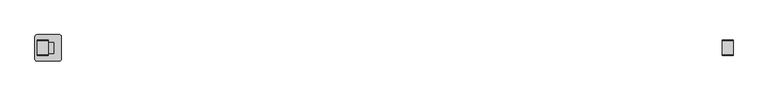
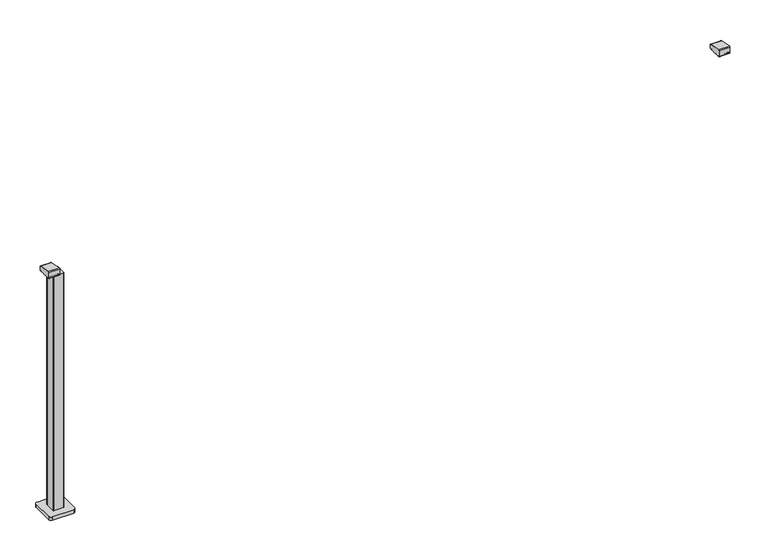
"""IFC4 building model written with IfcOpenShell, lengths in millimetres: railing geometry."""

from ifc_helpers import new_model, si_unit, point, frame, frame_2d, origin, origin_with_axes, place, context, project, spatial, polyline, circle_curve, trimmed, segment, composite_curve, outline, extrude, source, transform, mapped, element, save
from ifc_brep_helpers import plane_surface, cylinder_surface, advanced_brep


def railing_7358e0a5(model_context):
    return source(origin(), model_context, "Body", "SolidModel", [
        advanced_brep(
        [(6791.3946925, 10264.3630551, 1199.9544233), (6791.3946925, 10260.8421106, 1197.0), (6791.3946925, 10260.8421106, 1169.2), (6791.3946925, 10263.8421106, 1166.2), (6791.3946925, 10268.6920245, 1166.2), (6791.3946925, 10269.5830297, 1166.9730759), (6791.3946925, 10270.1561053, 1166.4000003), (6791.3946925, 10288.2660875, 1166.4000003), (6791.3946925, 10288.8619702, 1165.6106384), (6791.3946925, 10302.8416451, 1165.6114192), (6791.3946925, 10303.4355206, 1166.4000003), (6791.3946925, 10321.5960229, 1166.4000003), (6791.3946925, 10322.0960229, 1166.9000033), (6791.3946925, 10323.0249587, 1166.2), (6791.3946925, 10327.8421106, 1166.2), (6791.3946925, 10330.8421106, 1169.2), (6791.3946925, 10330.8421106, 1185.7150732), (6791.3946925, 10328.3630551, 1188.6694965), (6741.3946925, 10264.3630551, 1199.9544233), (6741.3946925, 10328.3630551, 1188.6694965), (6741.3946925, 10330.8421106, 1185.7150732), (6741.3946925, 10330.8421106, 1169.2), (6741.3946925, 10327.8421106, 1166.2), (6741.3946925, 10323.0249587, 1166.2), (6741.3946925, 10322.0960229, 1166.9000033), (6741.3946925, 10321.5960229, 1166.4000003), (6741.3946925, 10303.4355206, 1166.4000003), (6741.3946925, 10302.8416397, 1165.6114328), (6741.3946925, 10288.8585412, 1165.6114192), (6741.3946925, 10288.2660875, 1166.4000003), (6741.3946925, 10270.1561053, 1166.4000003), (6741.3946925, 10269.5830297, 1166.9730759), (6741.3946925, 10268.6920245, 1166.2), (6741.3946925, 10263.8421106, 1166.2), (6741.3946925, 10260.8421106, 1169.2), (6741.3946925, 10260.8421106, 1197.0)],
        [
            (0, 1, circle_curve(frame((6791.3946925, 10263.8421106, 1197.0), z_axis=(1.0, 0.0, 0.0), x_axis=(0.0, 0.1736481776670499, 0.984807753012187)), 3.0)),
            (1, 2),
            (2, 3, circle_curve(frame((6791.3946925, 10263.8421106, 1169.2), z_axis=(1.0, 0.0, 0.0), x_axis=(0.0, -1.0, 0.0)), 3.0)),
            (3, 4),
            (4, 5, circle_curve(frame((6791.3946925, 10268.6920245, 1167.1), z_axis=(1.0, 0.0, 0.0), x_axis=(0.0, 0.0, -1.0)), 0.9)),
            (5, 6, circle_curve(frame((6791.3946925, 10270.1561053, 1166.9730759), z_axis=(1.0, 0.0, 0.0), x_axis=(0.0, -1.0, 0.0)), 0.5730756)),
            (6, 7),
            (7, 8, circle_curve(frame((6791.3946925, 10289.2114065, 1166.4940192), z_axis=(1.0, 0.0, 0.0), x_axis=(0.0, -1.0, 0.0)), 0.9499829)),
            (8, 9, circle_curve(frame((6791.3946925, 10295.8500931, 1183.2818957), z_axis=(1.0, 0.0, 0.0), x_axis=(0.0, -1.0, 0.0)), 19.003356)),
            (9, 10, circle_curve(frame((6791.3946925, 10302.4902016, 1166.4940192), z_axis=(1.0, 0.0, 0.0), x_axis=(0.0, 1.0, 0.0)), 0.9499829)),
            (10, 11),
            (11, 12, circle_curve(frame((6791.3946925, 10321.5960229, 1166.9000003), z_axis=(1.0, 0.0, 0.0), x_axis=(0.0, 0.0, -1.0)), 0.5)),
            (12, 13, circle_curve(frame((6791.3946925, 10323.0072204, 1167.1428319), z_axis=(1.0, 0.0, 0.0), x_axis=(0.0, -1.0, 0.0)), 0.9429987)),
            (13, 14),
            (14, 15, circle_curve(frame((6791.3946925, 10327.8421106, 1169.2), z_axis=(1.0, 0.0, 0.0), x_axis=(0.0, 0.0, -1.0)), 3.0)),
            (15, 16),
            (16, 17, circle_curve(frame((6791.3946925, 10327.8421106, 1185.7150732), z_axis=(1.0, 0.0, 0.0), x_axis=(0.0, 1.0, 0.0)), 3.0)),
            (17, 0),
            (18, 19),
            (19, 20, circle_curve(frame((6741.3946925, 10327.8421106, 1185.7150732), z_axis=(-1.0, 0.0, 0.0), x_axis=(0.0, 1.0, 0.0)), 3.0)),
            (20, 21),
            (21, 22, circle_curve(frame((6741.3946925, 10327.8421106, 1169.2), z_axis=(-1.0, 0.0, 0.0), x_axis=(0.0, 0.0, -1.0)), 3.0)),
            (22, 23),
            (23, 24, circle_curve(frame((6741.3946925, 10323.0072204, 1167.1428319), z_axis=(-1.0, 0.0, 0.0), x_axis=(0.0, -1.0, 0.0)), 0.9429987)),
            (24, 25, circle_curve(frame((6741.3946925, 10321.5960229, 1166.9000003), z_axis=(-1.0, 0.0, 0.0), x_axis=(0.0, 0.0, -1.0)), 0.5)),
            (25, 26),
            (26, 27, circle_curve(frame((6741.3946925, 10302.4902016, 1166.4940192), z_axis=(-1.0, 0.0, 0.0), x_axis=(0.0, 1.0, 0.0)), 0.9499829)),
            (27, 28, circle_curve(frame((6741.3946925, 10295.8500931, 1183.2818957), z_axis=(-1.0, 0.0, 0.0), x_axis=(0.0, -1.0, 0.0)), 19.003356)),
            (28, 29, circle_curve(frame((6741.3946925, 10289.2114065, 1166.4940192), z_axis=(-1.0, 0.0, 0.0), x_axis=(0.0, -1.0, 0.0)), 0.9499829)),
            (29, 30),
            (30, 31, circle_curve(frame((6741.3946925, 10270.1561053, 1166.9730759), z_axis=(-1.0, 0.0, 0.0), x_axis=(0.0, -1.0, 0.0)), 0.5730756)),
            (31, 32, circle_curve(frame((6741.3946925, 10268.6920245, 1167.1), z_axis=(-1.0, 0.0, 0.0), x_axis=(0.0, 0.0, -1.0)), 0.9)),
            (32, 33),
            (33, 34, circle_curve(frame((6741.3946925, 10263.8421106, 1169.2), z_axis=(-1.0, 0.0, 0.0), x_axis=(0.0, -1.0, 0.0)), 3.0)),
            (34, 35),
            (35, 18, circle_curve(frame((6741.3946925, 10263.8421106, 1197.0), z_axis=(-1.0, 0.0, 0.0), x_axis=(0.0, 0.1736481776670499, 0.984807753012187)), 3.0)),
            (0, 18),
            (35, 1),
            (34, 2),
            (33, 3),
            (32, 4),
            (31, 5),
            (30, 6),
            (29, 7),
            (28, 8),
            (27, 9),
            (26, 10),
            (25, 11),
            (24, 12),
            (23, 13),
            (22, 14),
            (21, 15),
            (20, 16),
            (19, 17),
        ],
        [
            plane_surface(frame((6791.3946925, 10295.8508041, 1168.2356773), z_axis=(1.0, 0.0, 0.0), x_axis=(0.0, 1.0, 0.0))),
            plane_surface(frame((6741.3946925, 10295.8508041, 1168.2356773), z_axis=(-1.0, 0.0, 0.0), x_axis=(0.0, 1.0, 0.0))),
            cylinder_surface(frame((6791.3946925, 10263.8421106, 1197.0), z_axis=(1.0000000000000002, 0.0, 0.0), x_axis=(0.0, 0.1736481776670499, 0.984807753012187)), 3.0),
            plane_surface(frame((6791.3946925, 10260.8421106, 1197.0), z_axis=(0.0, -1.0, 0.0), x_axis=(-1.0, 0.0, 0.0))),
            cylinder_surface(frame((6791.3946925, 10263.8421106, 1169.2), z_axis=(1.0, 0.0, 0.0), x_axis=(0.0, -1.0, 0.0)), 3.0),
            plane_surface(frame((6791.3946925, 10263.8421106, 1166.2), z_axis=(0.0, 0.0, -1.0), x_axis=(-1.0, 0.0, 0.0))),
            cylinder_surface(frame((6791.3946925, 10268.6920245, 1167.1), z_axis=(1.0, 0.0, 0.0), x_axis=(0.0, 0.0, -1.0)), 0.9),
            cylinder_surface(frame((6791.3946925, 10270.1561053, 1166.9730759), z_axis=(1.0, 0.0, 0.0), x_axis=(0.0, -1.0, 0.0)), 0.5730756),
            plane_surface(frame((6791.3946925, 10270.1561053, 1166.4000003), z_axis=(0.0, 0.0, -1.0), x_axis=(-1.0, 0.0, 0.0))),
            cylinder_surface(frame((6791.3946925, 10289.2114065, 1166.4940192), z_axis=(1.0, 0.0, 0.0), x_axis=(0.0, -1.0, 0.0)), 0.9499829),
            cylinder_surface(frame((6791.3946925, 10295.8500931, 1183.2818957), z_axis=(1.0, 0.0, 0.0), x_axis=(0.0, -1.0, 0.0)), 19.003356),
            cylinder_surface(frame((6791.3946925, 10302.4902016, 1166.4940192), z_axis=(1.0, 0.0, 0.0), x_axis=(0.0, 1.0, 0.0)), 0.9499829),
            plane_surface(frame((6791.3946925, 10303.4355206, 1166.4000003), z_axis=(0.0, 0.0, -1.0), x_axis=(-1.0, 0.0, 0.0))),
            cylinder_surface(frame((6791.3946925, 10321.5960229, 1166.9000003), z_axis=(1.0, 0.0, 0.0), x_axis=(0.0, 0.0, -1.0)), 0.5),
            cylinder_surface(frame((6791.3946925, 10323.0072204, 1167.1428319), z_axis=(1.0, 0.0, 0.0), x_axis=(0.0, -1.0, 0.0)), 0.9429987),
            plane_surface(frame((6791.3946925, 10323.0249587, 1166.2), z_axis=(0.0, 0.0, -1.0), x_axis=(-1.0, 0.0, 0.0))),
            cylinder_surface(frame((6791.3946925, 10327.8421106, 1169.2), z_axis=(1.0, 0.0, 0.0), x_axis=(0.0, 0.0, -1.0)), 3.0),
            plane_surface(frame((6791.3946925, 10330.8421106, 1169.2), z_axis=(0.0, 1.0, 0.0), x_axis=(-1.0, 0.0, 0.0))),
            cylinder_surface(frame((6791.3946925, 10327.8421106, 1185.7150732), z_axis=(1.0, 0.0, 0.0), x_axis=(0.0, 1.0, 0.0)), 3.0),
            plane_surface(frame((6791.3946925, 10328.3630551, 1188.6694965), z_axis=(0.0, 0.17364817766695742, 0.9848077530122034), x_axis=(-1.0, 0.0, 0.0))),
        ],
        [
            (0, [[1, 2, 3, 4, 5, 6, 7, 8, 9, 10, 11, 12, 13, 14, 15, 16, 17, 18]]),
            (1, [[19, 20, 21, 22, 23, 24, 25, 26, 27, 28, 29, 30, 31, 32, 33, 34, 35, 36]]),
            (2, [[-1, 37, -36, 38]]),
            (3, [[-2, -38, -35, 39]]),
            (4, [[-3, -39, -34, 40]]),
            (5, [[-4, -40, -33, 41]]),
            (6, [[-5, -41, -32, 42]]),
            (7, [[-6, -42, -31, 43]]),
            (8, [[-7, -43, -30, 44]]),
            (9, [[-8, -44, -29, 45]]),
            (10, [[-9, -45, -28, 46]]),
            (11, [[-10, -46, -27, 47]]),
            (12, [[-11, -47, -26, 48]]),
            (13, [[-12, -48, -25, 49]]),
            (14, [[-13, -49, -24, 50]]),
            (15, [[-14, -50, -23, 51]]),
            (16, [[-15, -51, -22, 52]]),
            (17, [[-16, -52, -21, 53]]),
            (18, [[-17, -53, -20, 54]]),
            (19, [[-18, -54, -19, -37]]),
        ],
    ),
        extrude(outline(composite_curve([segment(trimmed(circle_curve(frame_2d((3668.994681, 10318.2508266)), 3.0), [point((3665.994681, 10318.2508266))], [point((3668.994681, 10321.2508266))], False, "CARTESIAN"), True, "CONTINUOUS"), segment(polyline([(3668.994681, 10321.2508266), (3713.794704, 10321.2508266)]), True, "CONTINUOUS"), segment(trimmed(circle_curve(frame_2d((3713.794704, 10318.2508266)), 3.0), [point((3713.794704, 10321.2508266))], [point((3716.794704, 10318.2508266))], False, "CARTESIAN"), True, "CONTINUOUS"), segment(polyline([(3716.794704, 10318.2508266), (3716.794704, 10273.4508036)]), True, "CONTINUOUS"), segment(trimmed(circle_curve(frame_2d((3713.794704, 10273.4508036)), 3.0), [point((3716.794704, 10273.4508036))], [point((3713.794704, 10270.4508036))], False, "CARTESIAN"), True, "CONTINUOUS"), segment(polyline([(3713.794704, 10270.4508036), (3668.994681, 10270.4508036)]), True, "CONTINUOUS"), segment(trimmed(circle_curve(frame_2d((3668.994681, 10273.4508036)), 3.0), [point((3668.994681, 10270.4508036))], [point((3665.994681, 10273.4508036))], False, "CARTESIAN"), True, "CONTINUOUS"), segment(polyline([(3665.994681, 10273.4508036), (3665.994681, 10318.2508266)]), True, "CONTINUOUS")], self_intersect=False)), frame((0.0, 0.0, 16.0), z_axis=(0.0, 0.0, 1.0), x_axis=(1.0, 0.0, 0.0)), (0.0, 0.0, 1.0), 1148.2785397),
        extrude(outline(composite_curve([segment(trimmed(circle_curve(frame_2d((3641.394681, 10345.8508151)), 10.0), [point((3631.394681, 10345.8508151))], [point((3641.394681, 10355.8508151))], False, "CARTESIAN"), True, "CONTINUOUS"), segment(polyline([(3641.394681, 10355.8508151), (3741.394681, 10355.8508151)]), True, "CONTINUOUS"), segment(trimmed(circle_curve(frame_2d((3741.394681, 10345.8508151)), 10.0), [point((3741.394681, 10355.8508151))], [point((3751.394681, 10345.8508151))], False, "CARTESIAN"), True, "CONTINUOUS"), segment(polyline([(3751.394681, 10345.8508151), (3751.394681, 10245.8508151)]), True, "CONTINUOUS"), segment(trimmed(circle_curve(frame_2d((3741.394681, 10245.8508151)), 10.0), [point((3751.394681, 10245.8508151))], [point((3741.394681, 10235.8508151))], False, "CARTESIAN"), True, "CONTINUOUS"), segment(polyline([(3741.394681, 10235.8508151), (3641.394681, 10235.8508151)]), True, "CONTINUOUS"), segment(trimmed(circle_curve(frame_2d((3641.394681, 10245.8508151)), 10.0), [point((3641.394681, 10235.8508151))], [point((3631.394681, 10245.8508151))], False, "CARTESIAN"), True, "CONTINUOUS"), segment(polyline([(3631.394681, 10245.8508151), (3631.394681, 10345.8508151)]), True, "CONTINUOUS")], self_intersect=False)), origin_with_axes(), (0.0, 0.0, 1.0), 16.0),
        advanced_brep(
        [(3691.3946925, 10264.3630551, 1199.9544233), (3691.3946925, 10260.8421106, 1197.0), (3691.3946925, 10260.8421106, 1169.2), (3691.3946925, 10263.8421106, 1166.2), (3691.3946925, 10268.6920245, 1166.2), (3691.3946925, 10269.5830297, 1166.9730759), (3691.3946925, 10270.1561053, 1166.4000003), (3691.3946925, 10288.2660875, 1166.4000003), (3691.3946925, 10288.8619702, 1165.6106384), (3691.3946925, 10302.8416451, 1165.6114192), (3691.3946925, 10303.4355206, 1166.4000003), (3691.3946925, 10321.5960229, 1166.4000003), (3691.3946925, 10322.0960229, 1166.9000033), (3691.3946925, 10323.0249587, 1166.2), (3691.3946925, 10327.8421106, 1166.2), (3691.3946925, 10330.8421106, 1169.2), (3691.3946925, 10330.8421106, 1185.7150732), (3691.3946925, 10328.3630551, 1188.6694965), (3641.3946925, 10264.3630551, 1199.9544233), (3641.3946925, 10328.3630551, 1188.6694965), (3641.3946925, 10330.8421106, 1185.7150732), (3641.3946925, 10330.8421106, 1169.2), (3641.3946925, 10327.8421106, 1166.2), (3641.3946925, 10323.0249587, 1166.2), (3641.3946925, 10322.0960229, 1166.9000033), (3641.3946925, 10321.5960229, 1166.4000003), (3641.3946925, 10303.4355206, 1166.4000003), (3641.3946925, 10302.8416397, 1165.6114328), (3641.3946925, 10288.8585412, 1165.6114192), (3641.3946925, 10288.2660875, 1166.4000003), (3641.3946925, 10270.1561053, 1166.4000003), (3641.3946925, 10269.5830297, 1166.9730759), (3641.3946925, 10268.6920245, 1166.2), (3641.3946925, 10263.8421106, 1166.2), (3641.3946925, 10260.8421106, 1169.2), (3641.3946925, 10260.8421106, 1197.0)],
        [
            (0, 1, circle_curve(frame((3691.3946925, 10263.8421106, 1197.0), z_axis=(1.0, 0.0, 0.0), x_axis=(0.0, 0.1736481776670499, 0.984807753012187)), 3.0)),
            (1, 2),
            (2, 3, circle_curve(frame((3691.3946925, 10263.8421106, 1169.2), z_axis=(1.0, 0.0, 0.0), x_axis=(0.0, -1.0, 0.0)), 3.0)),
            (3, 4),
            (4, 5, circle_curve(frame((3691.3946925, 10268.6920245, 1167.1), z_axis=(1.0, 0.0, 0.0), x_axis=(0.0, 0.0, -1.0)), 0.9)),
            (5, 6, circle_curve(frame((3691.3946925, 10270.1561053, 1166.9730759), z_axis=(1.0, 0.0, 0.0), x_axis=(0.0, -1.0, 0.0)), 0.5730756)),
            (6, 7),
            (7, 8, circle_curve(frame((3691.3946925, 10289.2114065, 1166.4940192), z_axis=(1.0, 0.0, 0.0), x_axis=(0.0, -1.0, 0.0)), 0.9499829)),
            (8, 9, circle_curve(frame((3691.3946925, 10295.8500931, 1183.2818957), z_axis=(1.0, 0.0, 0.0), x_axis=(0.0, -1.0, 0.0)), 19.003356)),
            (9, 10, circle_curve(frame((3691.3946925, 10302.4902016, 1166.4940192), z_axis=(1.0, 0.0, 0.0), x_axis=(0.0, 1.0, 0.0)), 0.9499829)),
            (10, 11),
            (11, 12, circle_curve(frame((3691.3946925, 10321.5960229, 1166.9000003), z_axis=(1.0, 0.0, 0.0), x_axis=(0.0, 0.0, -1.0)), 0.5)),
            (12, 13, circle_curve(frame((3691.3946925, 10323.0072204, 1167.1428319), z_axis=(1.0, 0.0, 0.0), x_axis=(0.0, -1.0, 0.0)), 0.9429987)),
            (13, 14),
            (14, 15, circle_curve(frame((3691.3946925, 10327.8421106, 1169.2), z_axis=(1.0, 0.0, 0.0), x_axis=(0.0, 0.0, -1.0)), 3.0)),
            (15, 16),
            (16, 17, circle_curve(frame((3691.3946925, 10327.8421106, 1185.7150732), z_axis=(1.0, 0.0, 0.0), x_axis=(0.0, 1.0, 0.0)), 3.0)),
            (17, 0),
            (18, 19),
            (19, 20, circle_curve(frame((3641.3946925, 10327.8421106, 1185.7150732), z_axis=(-1.0, 0.0, 0.0), x_axis=(0.0, 1.0, 0.0)), 3.0)),
            (20, 21),
            (21, 22, circle_curve(frame((3641.3946925, 10327.8421106, 1169.2), z_axis=(-1.0, 0.0, 0.0), x_axis=(0.0, 0.0, -1.0)), 3.0)),
            (22, 23),
            (23, 24, circle_curve(frame((3641.3946925, 10323.0072204, 1167.1428319), z_axis=(-1.0, 0.0, 0.0), x_axis=(0.0, -1.0, 0.0)), 0.9429987)),
            (24, 25, circle_curve(frame((3641.3946925, 10321.5960229, 1166.9000003), z_axis=(-1.0, 0.0, 0.0), x_axis=(0.0, 0.0, -1.0)), 0.5)),
            (25, 26),
            (26, 27, circle_curve(frame((3641.3946925, 10302.4902016, 1166.4940192), z_axis=(-1.0, 0.0, 0.0), x_axis=(0.0, 1.0, 0.0)), 0.9499829)),
            (27, 28, circle_curve(frame((3641.3946925, 10295.8500931, 1183.2818957), z_axis=(-1.0, 0.0, 0.0), x_axis=(0.0, -1.0, 0.0)), 19.003356)),
            (28, 29, circle_curve(frame((3641.3946925, 10289.2114065, 1166.4940192), z_axis=(-1.0, 0.0, 0.0), x_axis=(0.0, -1.0, 0.0)), 0.9499829)),
            (29, 30),
            (30, 31, circle_curve(frame((3641.3946925, 10270.1561053, 1166.9730759), z_axis=(-1.0, 0.0, 0.0), x_axis=(0.0, -1.0, 0.0)), 0.5730756)),
            (31, 32, circle_curve(frame((3641.3946925, 10268.6920245, 1167.1), z_axis=(-1.0, 0.0, 0.0), x_axis=(0.0, 0.0, -1.0)), 0.9)),
            (32, 33),
            (33, 34, circle_curve(frame((3641.3946925, 10263.8421106, 1169.2), z_axis=(-1.0, 0.0, 0.0), x_axis=(0.0, -1.0, 0.0)), 3.0)),
            (34, 35),
            (35, 18, circle_curve(frame((3641.3946925, 10263.8421106, 1197.0), z_axis=(-1.0, 0.0, 0.0), x_axis=(0.0, 0.1736481776670499, 0.984807753012187)), 3.0)),
            (0, 18),
            (35, 1),
            (34, 2),
            (33, 3),
            (32, 4),
            (31, 5),
            (30, 6),
            (29, 7),
            (28, 8),
            (27, 9),
            (26, 10),
            (25, 11),
            (24, 12),
            (23, 13),
            (22, 14),
            (21, 15),
            (20, 16),
            (19, 17),
        ],
        [
            plane_surface(frame((3691.3946925, 10295.8508041, 1168.2356773), z_axis=(1.0, 0.0, 0.0), x_axis=(0.0, 1.0, 0.0))),
            plane_surface(frame((3641.3946925, 10295.8508041, 1168.2356773), z_axis=(-1.0, 0.0, 0.0), x_axis=(0.0, 1.0, 0.0))),
            cylinder_surface(frame((3691.3946925, 10263.8421106, 1197.0), z_axis=(1.0000000000000002, 0.0, 0.0), x_axis=(0.0, 0.1736481776670499, 0.984807753012187)), 3.0),
            plane_surface(frame((3691.3946925, 10260.8421106, 1197.0), z_axis=(0.0, -1.0, 0.0), x_axis=(-1.0, 0.0, 0.0))),
            cylinder_surface(frame((3691.3946925, 10263.8421106, 1169.2), z_axis=(1.0, 0.0, 0.0), x_axis=(0.0, -1.0, 0.0)), 3.0),
            plane_surface(frame((3691.3946925, 10263.8421106, 1166.2), z_axis=(0.0, 0.0, -1.0), x_axis=(-1.0, 0.0, 0.0))),
            cylinder_surface(frame((3691.3946925, 10268.6920245, 1167.1), z_axis=(1.0, 0.0, 0.0), x_axis=(0.0, 0.0, -1.0)), 0.9),
            cylinder_surface(frame((3691.3946925, 10270.1561053, 1166.9730759), z_axis=(1.0, 0.0, 0.0), x_axis=(0.0, -1.0, 0.0)), 0.5730756),
            plane_surface(frame((3691.3946925, 10270.1561053, 1166.4000003), z_axis=(0.0, 0.0, -1.0), x_axis=(-1.0, 0.0, 0.0))),
            cylinder_surface(frame((3691.3946925, 10289.2114065, 1166.4940192), z_axis=(1.0, 0.0, 0.0), x_axis=(0.0, -1.0, 0.0)), 0.9499829),
            cylinder_surface(frame((3691.3946925, 10295.8500931, 1183.2818957), z_axis=(1.0, 0.0, 0.0), x_axis=(0.0, -1.0, 0.0)), 19.003356),
            cylinder_surface(frame((3691.3946925, 10302.4902016, 1166.4940192), z_axis=(1.0, 0.0, 0.0), x_axis=(0.0, 1.0, 0.0)), 0.9499829),
            plane_surface(frame((3691.3946925, 10303.4355206, 1166.4000003), z_axis=(0.0, 0.0, -1.0), x_axis=(-1.0, 0.0, 0.0))),
            cylinder_surface(frame((3691.3946925, 10321.5960229, 1166.9000003), z_axis=(1.0, 0.0, 0.0), x_axis=(0.0, 0.0, -1.0)), 0.5),
            cylinder_surface(frame((3691.3946925, 10323.0072204, 1167.1428319), z_axis=(1.0, 0.0, 0.0), x_axis=(0.0, -1.0, 0.0)), 0.9429987),
            plane_surface(frame((3691.3946925, 10323.0249587, 1166.2), z_axis=(0.0, 0.0, -1.0), x_axis=(-1.0, 0.0, 0.0))),
            cylinder_surface(frame((3691.3946925, 10327.8421106, 1169.2), z_axis=(1.0, 0.0, 0.0), x_axis=(0.0, 0.0, -1.0)), 3.0),
            plane_surface(frame((3691.3946925, 10330.8421106, 1169.2), z_axis=(0.0, 1.0, 0.0), x_axis=(-1.0, 0.0, 0.0))),
            cylinder_surface(frame((3691.3946925, 10327.8421106, 1185.7150732), z_axis=(1.0, 0.0, 0.0), x_axis=(0.0, 1.0, 0.0)), 3.0),
            plane_surface(frame((3691.3946925, 10328.3630551, 1188.6694965), z_axis=(0.0, 0.17364817766695742, 0.9848077530122034), x_axis=(-1.0, 0.0, 0.0))),
        ],
        [
            (0, [[1, 2, 3, 4, 5, 6, 7, 8, 9, 10, 11, 12, 13, 14, 15, 16, 17, 18]]),
            (1, [[19, 20, 21, 22, 23, 24, 25, 26, 27, 28, 29, 30, 31, 32, 33, 34, 35, 36]]),
            (2, [[-1, 37, -36, 38]]),
            (3, [[-2, -38, -35, 39]]),
            (4, [[-3, -39, -34, 40]]),
            (5, [[-4, -40, -33, 41]]),
            (6, [[-5, -41, -32, 42]]),
            (7, [[-6, -42, -31, 43]]),
            (8, [[-7, -43, -30, 44]]),
            (9, [[-8, -44, -29, 45]]),
            (10, [[-9, -45, -28, 46]]),
            (11, [[-10, -46, -27, 47]]),
            (12, [[-11, -47, -26, 48]]),
            (13, [[-12, -48, -25, 49]]),
            (14, [[-13, -49, -24, 50]]),
            (15, [[-14, -50, -23, 51]]),
            (16, [[-15, -51, -22, 52]]),
            (17, [[-16, -52, -21, 53]]),
            (18, [[-17, -53, -20, 54]]),
            (19, [[-18, -54, -19, -37]]),
        ],
    ),
    ])


if __name__ == "__main__":
    model = new_model("IFC4")
    model_context = context("Model", 3, world=origin())
    ifc_project = project(units=[si_unit("LENGTHUNIT", "METRE", prefix="MILLI")], contexts=[model_context])
    site = spatial("IfcSite", under=ifc_project)
    building = spatial("IfcBuilding", under=site)
    placement = place(None, origin())
    railing_shape = railing_7358e0a5(model_context)
    element("IfcRailing", 1, at=placement, inside=building, context=model_context, shape_type="MappedRepresentation", body=[
        mapped(railing_shape, transform((0.0, 0.0, 0.0), x_axis=(1.0, 0.0, 0.0), y_axis=(0.0, 1.0, 0.0), z_axis=(0.0, 0.0, 1.0))),
    ])
    save(model, "model.ifc")
